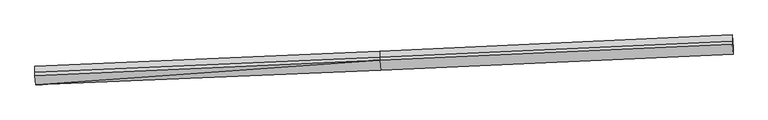
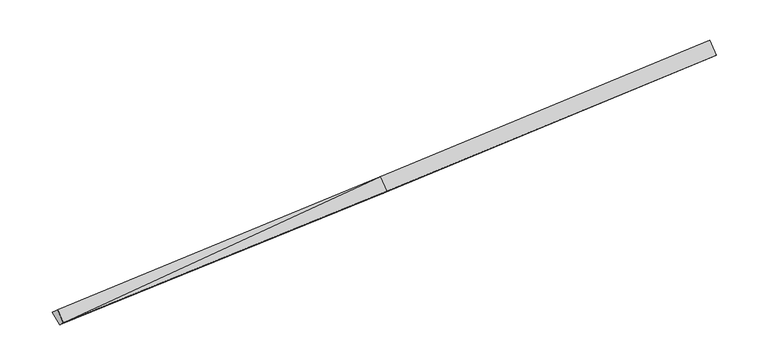
"""IFC4 building model written with IfcOpenShell, lengths in millimetres: proxy geometry."""

from ifc_helpers import new_model, si_unit, frame, origin, place, context, project, spatial, source, transform, mapped, element, save
from ifc_brep_helpers import plane_surface, spline_surface, advanced_brep


def generic_models_b35392f4(model_context):
    return source(origin(), model_context, "Body", "AdvancedBrep", [
        advanced_brep(
        [(-16566.3751829, -2697.1696273, 1160.2468687), (-16566.7930968, -2381.5297905, 866.2023712), (-106.6089422, -1713.8495821, 1606.3573354), (-106.2162124, -2010.4684709, 1882.6822538), (-16607.358194, -2275.5103751, 1612.9320439), (-151.914415, -1540.296333, 2387.44992), (-16607.5713252, -2114.5377658, 1462.972804), (-152.1169602, -1387.3189984, 2244.9389368), (-16607.9506001, -1828.080975, 1196.1147167), (-152.5039888, -1095.0060879, 1972.6253919), (16658.1988724, -617.182832, 3047.7439247), (16658.4014177, -770.1601666, 3190.2549079), (16704.0996202, -1240.3323045, 2685.4872416), (16703.7068905, -943.7134156, 2409.1623232), (16657.8118438, -324.8699215, 2775.4303797)],
        [
            (0, 1),
            (1, 2),
            (2, 3),
            (3, 0),
            (4, 0),
            (0, 5),
            (5, 4),
            (6, 4),
            (5, 7),
            (7, 6),
            (8, 6),
            (7, 9),
            (9, 8),
            (1, 8),
            (9, 2),
            (10, 11),
            (11, 12),
            (12, 13),
            (13, 14),
            (14, 10),
            (3, 5),
            (5, 11),
            (10, 7),
            (3, 12),
            (2, 13),
            (9, 14),
        ],
        [
            plane_surface(frame((-16566.5841399, -2539.3497089, 1013.2246199), z_axis=(0.0604403198372051, -0.680344231142855, -0.7303962588134018), x_axis=(-0.0009687780856910811, 0.7316936785395529, -0.6816329087230737))),
            plane_surface(frame((-16586.8666885, -2486.3400012, 1386.5894563), z_axis=(0.0006101305184489023, -0.7317100805423544, 0.6816157170821782), x_axis=(0.06610163070149389, -0.6800955679795853, -0.7301373794246729))),
            plane_surface(frame((-16607.4647596, -2195.0240705, 1537.9524239), z_axis=(-0.06475756002121554, 0.6801565937084028, 0.7302009767557707), x_axis=(0.0009687780856806843, -0.7316936785395539, 0.6816329087230727))),
            plane_surface(frame((-16607.7609626, -1971.3093704, 1329.5437603), z_axis=(-0.06475756002121558, 0.6801565937084024, 0.7302009767557712), x_axis=(0.0009687780856965558, -0.7316936785395537, 0.6816329087230729))),
            spline_surface(1, 1, [[(-16566.7930968, -2381.5297905, 866.2023712), (-106.6089422, -1713.8495821, 1606.3573354)], [(-16607.9506001, -1828.080975, 1196.1147167), (-152.5039888, -1095.0060879, 1972.6253919)]], [2, 2], [2, 2], [0.0, 1.0], [0.0, 1.0]),
            plane_surface(frame((16681.0049431, -819.7689521, 2765.0837131), z_axis=(0.9978124252020641, 0.04576438789912513, 0.04770728364299968), x_axis=(0.0009687780856924391, -0.7316936785395539, 0.6816329087230726))),
            plane_surface(frame((-16587.1192685, -2295.572692, 1208.8740001), z_axis=(-0.9978124252020637, -0.04576438789912593, -0.04770728364300702), x_axis=(0.0009687780856879257, -0.7316936785395531, 0.6816329087230735))),
            plane_surface(frame((-16566.3751829, -2697.1696273, 1160.2468687), z_axis=(0.0006101305184485623, -0.731710080542352, 0.6816157170821804), x_axis=(0.06610163070148797, -0.6800955679795879, -0.7301373794246708))),
            plane_surface(frame((-152.0156876, -1463.8076657, 2316.1944284), z_axis=(-0.0660266977989484, 0.6800990028299416, 0.7301409600395568), x_axis=(0.0009687780856785821, -0.731693678539554, 0.6816329087230727))),
            plane_surface(frame((-129.0653137, -1775.382402, 2135.0660869), z_axis=(0.000968778085690708, -0.7316936785395515, 0.6816329087230751), x_axis=(0.06610163070148797, -0.6800955679795877, -0.730137379424671))),
            plane_surface(frame((-106.4125773, -1862.1590265, 1744.5197946), z_axis=(0.06602669779894844, -0.680099002829941, -0.7301409600395574), x_axis=(-0.0009687780856922103, 0.731693678539554, -0.6816329087230726))),
            plane_surface(frame((-129.5564655, -1404.427835, 1789.4913636), z_axis=(0.01768880812877486, 0.5102265588474432, -0.8598581073140382), x_axis=(-0.06369240314073445, 0.8588209885679394, 0.5083008827233586))),
            plane_surface(frame((-152.3104745, -1241.1625432, 2108.7821643), z_axis=(-0.0660266977989484, 0.6800990028299405, 0.7301409600395578), x_axis=(0.0009687780856996912, -0.731693678539554, 0.6816329087230726))),
        ],
        [
            (0, [[1, 2, 3, 4]]),
            (1, [[5, 6, 7]]),
            (2, [[8, -7, 9, 10]]),
            (3, [[11, -10, 12, 13]]),
            (4, [[14, -13, 15, -2]]),
            (5, [[16, 17, 18, 19, 20]]),
            (6, [[-1, -5, -8, -11, -14]]),
            (7, [[21, -6, -4]]),
            (8, [[-9, 22, -16, 23]]),
            (9, [[-21, 24, -17, -22]]),
            (10, [[-3, 25, -18, -24]]),
            (11, [[-15, 26, -19, -25]]),
            (12, [[-12, -23, -20, -26]]),
        ],
    ),
    ])


if __name__ == "__main__":
    model = new_model("IFC4")
    model_context = context("Model", 3, world=origin())
    ifc_project = project(units=[si_unit("LENGTHUNIT", "METRE", prefix="MILLI")], contexts=[model_context])
    site = spatial("IfcSite", under=ifc_project)
    building = spatial("IfcBuilding", under=site)
    placement = place(None, origin())
    generic_models_shape = generic_models_b35392f4(model_context)
    element("IfcBuildingElementProxy", 1, Name="Generic Models", at=placement, inside=building, context=model_context, shape_type="MappedRepresentation", body=[
        mapped(generic_models_shape, transform((0.0, 0.0, 0.0), x_axis=(1.0, 0.0, 0.0), y_axis=(0.0, 1.0, 0.0), z_axis=(0.0, 0.0, 1.0))),
    ])
    save(model, "model.ifc")
